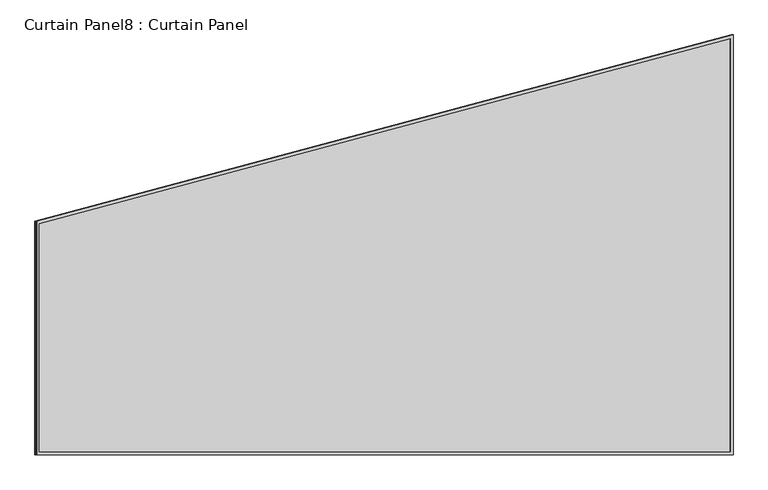
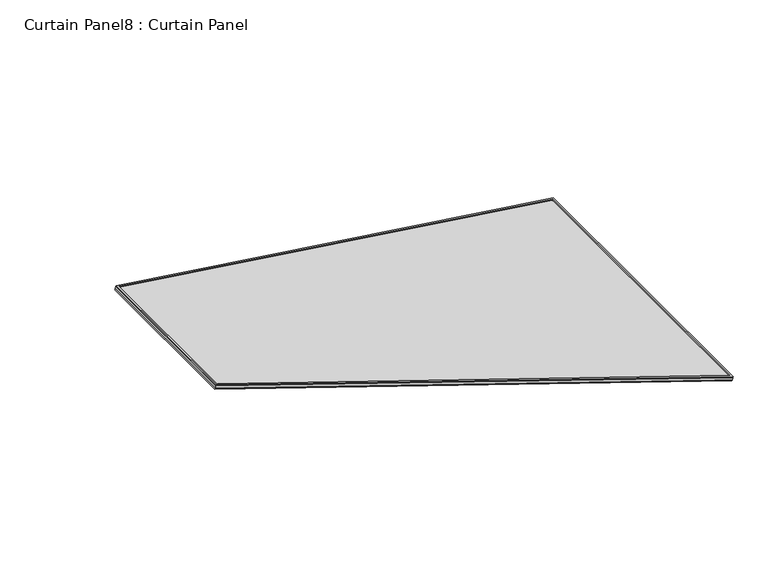
"""IFC4 building model written with IfcOpenShell, lengths in millimetres: plate geometry, Curtain Panel8 : Curtain Panel."""

from ifc_helpers import new_model, si_unit, frame, origin, place, context, project, spatial, polyline, outline, extrude, source, transform, mapped, element, save


def curtain_panel8_curtain_panel_06b9cdce(model_context):
    return source(origin(), model_context, "Body", "SweptSolid", [
        extrude(outline(polyline([(1625.9060242, -2842.288964), (0.0, -2842.288964), (0.0, 0.0), (903.3784299, 0.0), (1625.9060242, -2842.288964)]), holes=[polyline([(894.7373677, -11.1125), (11.1125, -11.1125), (11.1125, -2831.176464), (1611.6152283, -2831.176464), (894.7373677, -11.1125)])]), frame((18969.6747998, 2209.218573, 889.3914301), z_axis=(0.3161458239738054, 0.0, 0.9487106081329141), x_axis=(0.0, 1.0, 0.0)), (0.0, 0.0, 1.0), 4.8733726),
        extrude(outline(polyline([(1625.9060242, -2842.288964), (0.0, -2842.288964), (0.0, 0.0), (903.3784299, 0.0), (1625.9060242, -2842.288964)]), holes=[polyline([(894.7373677, -11.1125), (11.1125, -11.1125), (11.1125, -2831.176464), (1611.6152283, -2831.176464), (894.7373677, -11.1125)])]), frame((18964.1120746, 2209.218573, 872.6984486), z_axis=(0.3161458239738053, 0.0, 0.9487106081329142), x_axis=(0.0, 1.0, 0.0)), (0.0, 0.0, 1.0), 4.6892645),
        extrude(outline(polyline([(25.6892883, 0.0), (1651.5953125, 0.0), (1651.5953125, -2842.288964), (748.2168826, -2842.288964), (25.6892883, 0.0)])), frame((21662.1042575, 3860.8138855, -21.430583), z_axis=(0.3161458239738058, 0.0, 0.948710608132914), x_axis=(0.0, -1.0, 0.0)), (0.0, 0.0, 1.0), 12.9061765),
    ])


if __name__ == "__main__":
    model = new_model("IFC4")
    model_context = context("Model", 3, world=origin())
    ifc_project = project(units=[si_unit("LENGTHUNIT", "METRE", prefix="MILLI")], contexts=[model_context])
    site = spatial("IfcSite", under=ifc_project)
    building = spatial("IfcBuilding", under=site)
    placement = place(None, origin())
    curtain_panel8_curtain_panel_shape = curtain_panel8_curtain_panel_06b9cdce(model_context)
    element("IfcPlate", 1, ObjectType="Curtain Panel8 : Curtain Panel", at=placement, inside=building, context=model_context, shape_type="MappedRepresentation", body=[
        mapped(curtain_panel8_curtain_panel_shape, transform((0.0, 0.0, 0.0), x_axis=(1.0, 0.0, 0.0), y_axis=(0.0, 1.0, 0.0), z_axis=(0.0, 0.0, 1.0))),
    ])
    save(model, "model.ifc")
